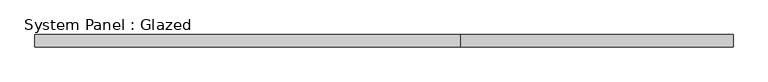
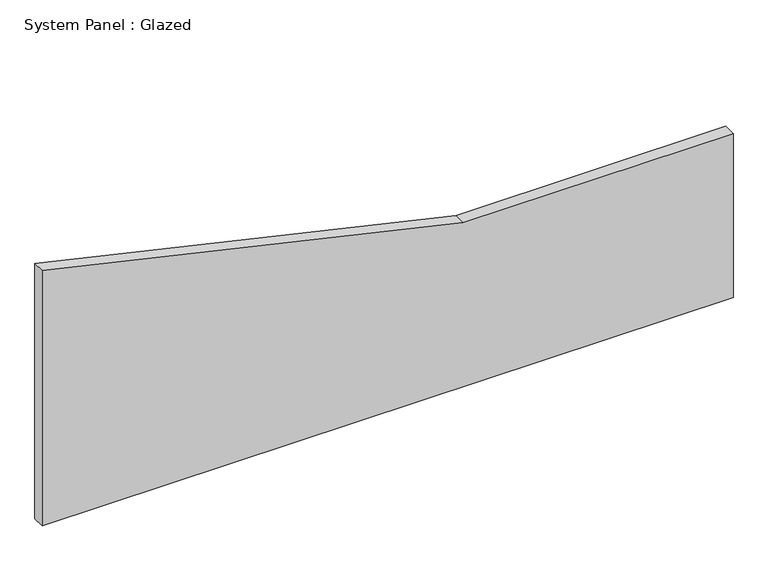
"""IFC4 building model written with IfcOpenShell, lengths in millimetres: plate geometry, System Panel : Glazed."""

from ifc_helpers import new_model, si_unit, frame, origin, place, context, project, spatial, polyline, outline, extrude, source, transform, mapped, element, save


def system_panel_glazed_f13fe6e9(model_context):
    return source(origin(), model_context, "Body", "SweptSolid", [
        extrude(outline(polyline([(0.0, -706.975), (0.0, 706.975), (354.9464399, 706.975), (354.9464399, 155.3213638), (552.9066664, -706.975), (0.0, -706.975)])), frame((0.0, 19.05, 0.0), z_axis=(0.0, 1.0, 0.0), x_axis=(0.0, 0.0, 1.0)), (0.0, 0.0, 1.0), 25.4),
    ])


if __name__ == "__main__":
    model = new_model("IFC4")
    model_context = context("Model", 3, world=origin())
    ifc_project = project(units=[si_unit("LENGTHUNIT", "METRE", prefix="MILLI")], contexts=[model_context])
    site = spatial("IfcSite", under=ifc_project)
    building = spatial("IfcBuilding", under=site)
    placement = place(None, origin())
    system_panel_glazed_shape = system_panel_glazed_f13fe6e9(model_context)
    element("IfcPlate", 1, ObjectType="System Panel : Glazed", at=placement, inside=building, context=model_context, shape_type="MappedRepresentation", body=[
        mapped(system_panel_glazed_shape, transform((0.0, 0.0, 0.0), x_axis=(1.0, 0.0, 0.0), y_axis=(0.0, 1.0, 0.0), z_axis=(0.0, 0.0, 1.0))),
    ])
    save(model, "model.ifc")
